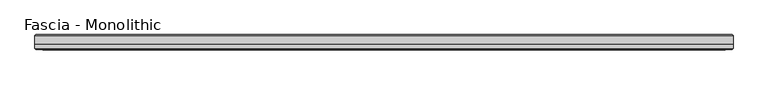
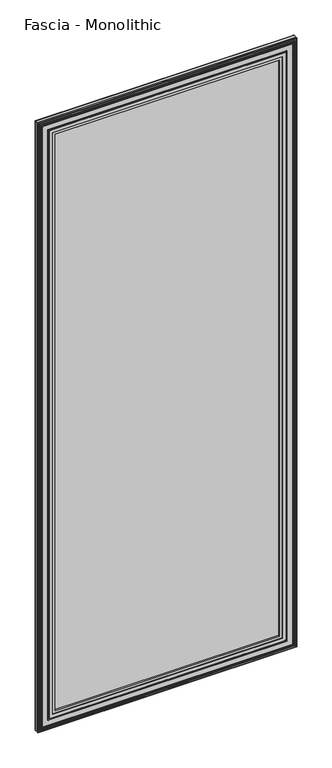
"""IFC4 building model written with IfcOpenShell, lengths in millimetres: proxy geometry, Fascia - Monolithic."""

from ifc_helpers import new_model, si_unit, frame, origin, place, context, project, spatial, ellipse_curve, source, transform, mapped, element, save
from ifc_brep_helpers import plane_surface, cylinder_surface, advanced_brep


def fascia_monolithic_48628fd0(model_context):
    return source(origin(), model_context, "Body", "AdvancedBrep", [
        advanced_brep(
        [(-556.403743, -15.8650077, 46.2434077), (-556.6731506, -16.7386, 45.974), (556.6731506, -16.7386, 45.974), (556.403743, -15.8650077, 46.2434077), (-557.5775583, -14.6911923, 45.0695923), (557.5775583, -14.6911923, 45.0695923), (-550.4909583, -15.8650077, 52.1561923), (-549.317143, -14.6911923, 53.3300077), (549.317143, -14.6911923, 53.3300077), (550.4909583, -15.8650077, 52.1561923), (-550.2215506, -16.7386, 52.4256), (550.2215506, -16.7386, 52.4256), (-533.9401506, -15.5956, 68.707), (-534.7021506, -16.7386, 67.945), (534.7021506, -16.7386, 67.945), (533.9401506, -15.5956, 68.707), (-521.6211506, -8.4836, 81.026), (-521.6211506, -15.5956, 81.026), (521.6211506, -15.5956, 81.026), (521.6211506, -8.4836, 81.026), (-602.6471506, -15.2146, 0.0), (-602.6471506, -8.4836, 0.0), (602.6471506, -8.4836, 0.0), (602.6471506, -15.2146, 0.0), (-601.1231506, -16.7386, 1.524), (601.1231506, -16.7386, 1.524), (-599.075743, -15.8650077, 3.5714077), (-599.3451506, -16.7386, 3.302), (599.3451506, -16.7386, 3.302), (599.075743, -15.8650077, 3.5714077), (-600.2495583, -14.6911923, 2.3975923), (600.2495583, -14.6911923, 2.3975923), (-593.1629583, -15.8650077, 9.4841923), (-591.989143, -14.6911923, 10.6580077), (591.989143, -14.6911923, 10.6580077), (593.1629583, -15.8650077, 9.4841923), (-592.8935506, -16.7386, 9.7536), (592.8935506, -16.7386, 9.7536), (-588.0040506, -16.7386, 14.6431), (-589.5280506, -16.7386, 13.1191), (589.5280506, -16.7386, 13.1191), (588.0040506, -16.7386, 14.6431), (-582.0350506, -16.7386, 20.6121), (-584.4480506, -16.7386, 18.1991), (584.4480506, -16.7386, 18.1991), (582.0350506, -16.7386, 20.6121), (556.6731506, -16.7386, 2946.7494), (556.403743, -15.8650077, 2946.4799923), (557.5775583, -14.6911923, 2947.6538077), (549.317143, -14.6911923, 2939.3933923), (550.4909583, -15.8650077, 2940.5672077), (550.2215506, -16.7386, 2940.2978), (534.7021506, -16.7386, 2924.7784), (533.9401506, -15.5956, 2924.0164), (521.6211506, -15.5956, 2911.6974), (521.6211506, -8.4836, 2911.6974), (602.6471506, -8.4836, 2992.7234), (602.6471506, -15.2146, 2992.7234), (601.1231506, -16.7386, 2991.1994), (599.3451506, -16.7386, 2989.4214), (599.075743, -15.8650077, 2989.1519923), (600.2495583, -14.6911923, 2990.3258077), (591.989143, -14.6911923, 2982.0653923), (593.1629583, -15.8650077, 2983.2392077), (592.8935506, -16.7386, 2982.9698), (589.5280506, -16.7386, 2979.6043), (588.0040506, -16.7386, 2978.0803), (584.4480506, -16.7386, 2974.5243), (582.0350506, -16.7386, 2972.1113), (-556.6731506, -16.7386, 2946.7494), (-556.403743, -15.8650077, 2946.4799923), (-557.5775583, -14.6911923, 2947.6538077), (-549.317143, -14.6911923, 2939.3933923), (-550.4909583, -15.8650077, 2940.5672077), (-550.2215506, -16.7386, 2940.2978), (-534.7021506, -16.7386, 2924.7784), (-533.9401506, -15.5956, 2924.0164), (-521.6211506, -15.5956, 2911.6974), (-521.6211506, -8.4836, 2911.6974), (-602.6471506, -8.4836, 2992.7234), (-602.6471506, -15.2146, 2992.7234), (-601.1231506, -16.7386, 2991.1994), (-599.3451506, -16.7386, 2989.4214), (-599.075743, -15.8650077, 2989.1519923), (-600.2495583, -14.6911923, 2990.3258077), (-591.989143, -14.6911923, 2982.0653923), (-593.1629583, -15.8650077, 2983.2392077), (-592.8935506, -16.7386, 2982.9698), (-589.5280506, -16.7386, 2979.6043), (-588.0040506, -16.7386, 2978.0803), (-584.4480506, -16.7386, 2974.5243), (-582.0350506, -16.7386, 2972.1113)],
        [
            (0, 1, ellipse_curve(frame((-556.7693353, -16.2306, 45.8778154), z_axis=(0.7071067811865475, 0.0, -0.7071067811865475), x_axis=(-0.7071067811865476, 0.0, -0.7071067811865474)), 0.7311846, 0.5170256)),
            (1, 2),
            (2, 3, ellipse_curve(frame((556.7693353, -16.2306, 45.8778154), z_axis=(-0.7071067811865475, 0.0, -0.7071067811865475), x_axis=(-0.7071067811865476, 0.0, 0.7071067811865474)), 0.7311846, 0.5170256)),
            (3, 0),
            (4, 0),
            (3, 5),
            (5, 4),
            (6, 7),
            (7, 8),
            (8, 9),
            (9, 6),
            (10, 6, ellipse_curve(frame((-550.125366, -16.2306, 52.5217846), z_axis=(0.7071067811865475, 0.0, -0.7071067811865475), x_axis=(-0.7071067811865476, 0.0, -0.7071067811865474)), 0.7311846, 0.5170256)),
            (9, 11, ellipse_curve(frame((550.125366, -16.2306, 52.5217846), z_axis=(-0.7071067811865475, 0.0, -0.7071067811865475), x_axis=(-0.7071067811865476, 0.0, 0.7071067811865474)), 0.7311846, 0.5170256)),
            (11, 10),
            (12, 13),
            (13, 14),
            (14, 15),
            (15, 12),
            (16, 17),
            (17, 18),
            (18, 19),
            (19, 16),
            (20, 21),
            (21, 22),
            (22, 23),
            (23, 20),
            (24, 20),
            (23, 25),
            (25, 24),
            (26, 27, ellipse_curve(frame((-599.4413353, -16.2306, 3.2058154), z_axis=(0.7071067811865475, 0.0, -0.7071067811865475), x_axis=(-0.7071067811865476, 0.0, -0.7071067811865474)), 0.7311846, 0.5170256)),
            (27, 28),
            (28, 29, ellipse_curve(frame((599.4413353, -16.2306, 3.2058154), z_axis=(-0.7071067811865475, 0.0, -0.7071067811865475), x_axis=(-0.7071067811865476, 0.0, 0.7071067811865474)), 0.7311846, 0.5170256)),
            (29, 26),
            (30, 26),
            (29, 31),
            (31, 30),
            (32, 33),
            (33, 34),
            (34, 35),
            (35, 32),
            (36, 32, ellipse_curve(frame((-592.797366, -16.2306, 9.8497846), z_axis=(0.7071067811865475, 0.0, -0.7071067811865475), x_axis=(-0.7071067811865476, 0.0, -0.7071067811865474)), 0.7311846, 0.5170256)),
            (35, 37, ellipse_curve(frame((592.797366, -16.2306, 9.8497846), z_axis=(-0.7071067811865475, 0.0, -0.7071067811865475), x_axis=(-0.7071067811865476, 0.0, 0.7071067811865474)), 0.7311846, 0.5170256)),
            (37, 36),
            (38, 39, ellipse_curve(frame((-588.7660506, -16.7386, 13.8811), z_axis=(0.7071067811865475, 0.0, -0.7071067811865475), x_axis=(-0.7071067811865476, 0.0, -0.7071067811865474)), 1.0776307, 0.762)),
            (39, 40),
            (40, 41, ellipse_curve(frame((588.7660506, -16.7386, 13.8811), z_axis=(-0.7071067811865475, 0.0, -0.7071067811865475), x_axis=(-0.7071067811865476, 0.0, 0.7071067811865474)), 1.0776307, 0.762)),
            (41, 38),
            (42, 43, ellipse_curve(frame((-583.2415506, -16.0202269, 19.4056), z_axis=(0.7071067811865475, 0.0, -0.7071067811865475), x_axis=(-0.7071067811865476, 0.0, -0.7071067811865474)), 1.9858007, 1.4041731)),
            (43, 44),
            (44, 45, ellipse_curve(frame((583.2415506, -16.0202269, 19.4056), z_axis=(-0.7071067811865475, 0.0, -0.7071067811865475), x_axis=(-0.7071067811865476, 0.0, 0.7071067811865474)), 1.9858007, 1.4041731)),
            (45, 42),
            (2, 46),
            (46, 47, ellipse_curve(frame((556.7693353, -16.2306, 2946.8455846), z_axis=(0.7071067811865475, 0.0, -0.7071067811865475), x_axis=(-0.7071067811865474, 0.0, -0.7071067811865476)), 0.7311846, 0.5170256)),
            (47, 3),
            (47, 48),
            (48, 5),
            (8, 49),
            (49, 50),
            (50, 9),
            (50, 51, ellipse_curve(frame((550.125366, -16.2306, 2940.2016154), z_axis=(0.7071067811865475, 0.0, -0.7071067811865475), x_axis=(-0.7071067811865474, 0.0, -0.7071067811865476)), 0.7311846, 0.5170256)),
            (51, 11),
            (14, 52),
            (52, 53),
            (53, 15),
            (18, 54),
            (54, 55),
            (55, 19),
            (22, 56),
            (56, 57),
            (57, 23),
            (57, 58),
            (58, 25),
            (28, 59),
            (59, 60, ellipse_curve(frame((599.4413353, -16.2306, 2989.5175846), z_axis=(0.7071067811865475, 0.0, -0.7071067811865475), x_axis=(-0.7071067811865474, 0.0, -0.7071067811865476)), 0.7311846, 0.5170256)),
            (60, 29),
            (60, 61),
            (61, 31),
            (34, 62),
            (62, 63),
            (63, 35),
            (63, 64, ellipse_curve(frame((592.797366, -16.2306, 2982.8736154), z_axis=(0.7071067811865475, 0.0, -0.7071067811865475), x_axis=(-0.7071067811865474, 0.0, -0.7071067811865476)), 0.7311846, 0.5170256)),
            (64, 37),
            (40, 65),
            (65, 66, ellipse_curve(frame((588.7660506, -16.7386, 2978.8423), z_axis=(0.7071067811865475, 0.0, -0.7071067811865475), x_axis=(-0.7071067811865474, 0.0, -0.7071067811865476)), 1.0776307, 0.762)),
            (66, 41),
            (44, 67),
            (67, 68, ellipse_curve(frame((583.2415506, -16.0202269, 2973.3178), z_axis=(0.7071067811865475, 0.0, -0.7071067811865475), x_axis=(-0.7071067811865474, 0.0, -0.7071067811865476)), 1.9858007, 1.4041731)),
            (68, 45),
            (46, 69),
            (69, 70, ellipse_curve(frame((-556.7693353, -16.2306, 2946.8455846), z_axis=(0.7071067811865475, 0.0, 0.7071067811865475), x_axis=(0.7071067811865476, 0.0, -0.7071067811865474)), 0.7311846, 0.5170256)),
            (70, 47),
            (70, 71),
            (71, 48),
            (49, 72),
            (72, 73),
            (73, 50),
            (73, 74, ellipse_curve(frame((-550.125366, -16.2306, 2940.2016154), z_axis=(0.7071067811865475, 0.0, 0.7071067811865475), x_axis=(0.7071067811865476, 0.0, -0.7071067811865474)), 0.7311846, 0.5170256)),
            (74, 51),
            (52, 75),
            (75, 76),
            (76, 53),
            (54, 77),
            (77, 78),
            (78, 55),
            (56, 79),
            (79, 80),
            (80, 57),
            (80, 81),
            (81, 58),
            (59, 82),
            (82, 83, ellipse_curve(frame((-599.4413353, -16.2306, 2989.5175846), z_axis=(0.7071067811865475, 0.0, 0.7071067811865475), x_axis=(0.7071067811865476, 0.0, -0.7071067811865474)), 0.7311846, 0.5170256)),
            (83, 60),
            (83, 84),
            (84, 61),
            (62, 85),
            (85, 86),
            (86, 63),
            (86, 87, ellipse_curve(frame((-592.797366, -16.2306, 2982.8736154), z_axis=(0.7071067811865475, 0.0, 0.7071067811865475), x_axis=(0.7071067811865476, 0.0, -0.7071067811865474)), 0.7311846, 0.5170256)),
            (87, 64),
            (65, 88),
            (88, 89, ellipse_curve(frame((-588.7660506, -16.7386, 2978.8423), z_axis=(0.7071067811865475, 0.0, 0.7071067811865475), x_axis=(0.7071067811865476, 0.0, -0.7071067811865474)), 1.0776307, 0.762)),
            (89, 66),
            (67, 90),
            (90, 91, ellipse_curve(frame((-583.2415506, -16.0202269, 2973.3178), z_axis=(0.7071067811865475, 0.0, 0.7071067811865475), x_axis=(0.7071067811865476, 0.0, -0.7071067811865474)), 1.9858007, 1.4041731)),
            (91, 68),
            (91, 42),
            (1, 69),
            (0, 70),
            (4, 71),
            (7, 72),
            (6, 73),
            (10, 74),
            (13, 75),
            (12, 76),
            (17, 77),
            (16, 78),
            (21, 79),
            (20, 80),
            (24, 81),
            (27, 82),
            (26, 83),
            (30, 84),
            (33, 85),
            (32, 86),
            (36, 87),
            (39, 88),
            (38, 89),
            (43, 90),
        ],
        [
            cylinder_surface(frame((-602.6471506, -16.2306, 45.8778154), z_axis=(-1.0, 0.0, 0.0), x_axis=(0.0, 0.0, 1.0)), 0.5170256),
            plane_surface(frame((-556.403743, -15.8650077, 46.2434077), z_axis=(0.0, 0.7071067813016592, 0.7071067810714359), x_axis=(1.0, 0.0, 0.0))),
            plane_surface(frame((-549.317143, -14.6911923, 53.3300077), z_axis=(0.0, 0.7071067813016237, -0.7071067810714713), x_axis=(1.0, 0.0, 0.0))),
            cylinder_surface(frame((-602.6471506, -16.2306, 52.5217846), z_axis=(-1.0, 0.0, 0.0), x_axis=(0.0, 0.0, 1.0)), 0.5170256),
            plane_surface(frame((-534.7021506, -16.7386, 67.945), z_axis=(0.0, -0.554700195976685, 0.8320502945035398), x_axis=(1.0, 0.0, 0.0))),
            plane_surface(frame((-521.6211506, -15.5956, 81.026), z_axis=(0.0, 0.0, 1.0), x_axis=(1.0, 0.0, 0.0))),
            plane_surface(frame((-602.6471506, -8.4836, 0.0), z_axis=(0.0, 0.0, -1.0), x_axis=(1.0, 0.0, 0.0))),
            plane_surface(frame((-602.6471506, -15.2146, 0.0), z_axis=(0.0, -0.7071067811865392, -0.7071067811865558), x_axis=(1.0, 0.0, 0.0))),
            cylinder_surface(frame((-602.6471506, -16.2306, 3.2058154), z_axis=(-1.0, 0.0, 0.0), x_axis=(0.0, 0.0, 1.0)), 0.5170256),
            plane_surface(frame((-599.075743, -15.8650077, 3.5714077), z_axis=(0.0, 0.707106781113895, 0.7071067812592001), x_axis=(1.0, 0.0, 0.0))),
            plane_surface(frame((-591.989143, -14.6911923, 10.6580077), z_axis=(0.0, 0.7071067811880475, -0.7071067811850476), x_axis=(1.0, 0.0, 0.0))),
            cylinder_surface(frame((-602.6471506, -16.2306, 9.8497846), z_axis=(-1.0, 0.0, 0.0), x_axis=(0.0, 0.0, 1.0)), 0.5170256),
            cylinder_surface(frame((-602.6471506, -16.7386, 13.8811), z_axis=(-1.0, 0.0, 0.0), x_axis=(0.0, 0.0, 1.0)), 0.762),
            cylinder_surface(frame((-602.6471506, -16.0202269, 19.4056), z_axis=(-1.0, 0.0, 0.0), x_axis=(0.0, 0.0, 1.0)), 1.4041731),
            cylinder_surface(frame((556.7693353, -16.2306, 0.0), z_axis=(0.0, 0.0, -1.0), x_axis=(-1.0, 0.0, 0.0)), 0.5170256),
            plane_surface(frame((556.403743, -15.8650077, 46.2434077), z_axis=(-0.7071067810714261, 0.7071067813016689, 0.0), x_axis=(0.0, 0.0, 1.0))),
            plane_surface(frame((549.317143, -14.6911923, 53.3300077), z_axis=(0.7071067810714811, 0.707106781301614, 0.0), x_axis=(0.0, 0.0, 1.0))),
            cylinder_surface(frame((550.125366, -16.2306, 0.0), z_axis=(0.0, 0.0, -1.0), x_axis=(-1.0, 0.0, 0.0)), 0.5170256),
            plane_surface(frame((534.7021506, -16.7386, 67.945), z_axis=(-0.8320502945035475, -0.5547001959766734, 0.0), x_axis=(0.0, 0.0, 1.0))),
            plane_surface(frame((521.6211506, -15.5956, 81.026), z_axis=(-1.0, 0.0, 0.0), x_axis=(0.0, 0.0, 1.0))),
            plane_surface(frame((602.6471506, -8.4836, 0.0), z_axis=(1.0, 0.0, 0.0), x_axis=(0.0, 0.0, 1.0))),
            plane_surface(frame((602.6471506, -15.2146, 0.0), z_axis=(0.707106781186546, -0.707106781186549, 0.0), x_axis=(0.0, 0.0, 1.0))),
            cylinder_surface(frame((599.4413353, -16.2306, 0.0), z_axis=(0.0, 0.0, -1.0), x_axis=(-1.0, 0.0, 0.0)), 0.5170256),
            plane_surface(frame((599.075743, -15.8650077, 3.5714077), z_axis=(-0.7071067812591904, 0.7071067811139048, 0.0), x_axis=(0.0, 0.0, 1.0))),
            plane_surface(frame((591.989143, -14.6911923, 10.6580077), z_axis=(0.7071067811850573, 0.7071067811880377, 0.0), x_axis=(0.0, 0.0, 1.0))),
            cylinder_surface(frame((592.797366, -16.2306, 0.0), z_axis=(0.0, 0.0, -1.0), x_axis=(-1.0, 0.0, 0.0)), 0.5170256),
            cylinder_surface(frame((588.7660506, -16.7386, 0.0), z_axis=(0.0, 0.0, -1.0), x_axis=(-1.0, 0.0, 0.0)), 0.762),
            cylinder_surface(frame((583.2415506, -16.0202269, 0.0), z_axis=(0.0, 0.0, -1.0), x_axis=(-1.0, 0.0, 0.0)), 1.4041731),
            cylinder_surface(frame((602.6471506, -16.2306, 2946.8455846), z_axis=(1.0, 0.0, 0.0), x_axis=(0.0, 0.0, -1.0)), 0.5170256),
            plane_surface(frame((556.403743, -15.8650077, 2946.4799923), z_axis=(0.0, 0.7071067813016787, -0.7071067810714163), x_axis=(-1.0, 0.0, 0.0))),
            plane_surface(frame((549.317143, -14.6911923, 2939.3933923), z_axis=(0.0, 0.7071067813016042, 0.7071067810714908), x_axis=(-1.0, 0.0, 0.0))),
            cylinder_surface(frame((602.6471506, -16.2306, 2940.2016154), z_axis=(1.0, 0.0, 0.0), x_axis=(0.0, 0.0, -1.0)), 0.5170256),
            plane_surface(frame((534.7021506, -16.7386, 2924.7784), z_axis=(0.0, -0.5547001959766619, -0.8320502945035552), x_axis=(-1.0, 0.0, 0.0))),
            plane_surface(frame((521.6211506, -15.5956, 2911.6974), z_axis=(0.0, 0.0, -1.0), x_axis=(-1.0, 0.0, 0.0))),
            plane_surface(frame((602.6471506, -8.4836, 2992.7234), z_axis=(0.0, 0.0, 1.0), x_axis=(-1.0, 0.0, 0.0))),
            plane_surface(frame((602.6471506, -15.2146, 2992.7234), z_axis=(0.0, -0.7071067811865588, 0.7071067811865362), x_axis=(-1.0, 0.0, 0.0))),
            cylinder_surface(frame((602.6471506, -16.2306, 2989.5175846), z_axis=(1.0, 0.0, 0.0), x_axis=(0.0, 0.0, -1.0)), 0.5170256),
            plane_surface(frame((599.075743, -15.8650077, 2989.1519923), z_axis=(0.0, 0.7071067811139146, -0.7071067812591806), x_axis=(-1.0, 0.0, 0.0))),
            plane_surface(frame((591.989143, -14.6911923, 2982.0653923), z_axis=(0.0, 0.7071067811880279, 0.7071067811850671), x_axis=(-1.0, 0.0, 0.0))),
            cylinder_surface(frame((602.6471506, -16.2306, 2982.8736154), z_axis=(1.0, 0.0, 0.0), x_axis=(0.0, 0.0, -1.0)), 0.5170256),
            cylinder_surface(frame((602.6471506, -16.7386, 2978.8423), z_axis=(1.0, 0.0, 0.0), x_axis=(0.0, 0.0, -1.0)), 0.762),
            cylinder_surface(frame((602.6471506, -16.0202269, 2973.3178), z_axis=(1.0, 0.0, 0.0), x_axis=(0.0, 0.0, -1.0)), 1.4041731),
            plane_surface(frame((-582.0350506, -16.7386, 2972.1113), z_axis=(0.0, -1.0, 0.0), x_axis=(0.0, 0.0, -1.0))),
            cylinder_surface(frame((-556.7693353, -16.2306, 2992.7234), z_axis=(0.0, 0.0, 1.0), x_axis=(1.0, 0.0, 0.0)), 0.5170256),
            plane_surface(frame((-556.403743, -15.8650077, 2946.4799923), z_axis=(0.7071067810714261, 0.7071067813016689, 0.0), x_axis=(0.0, 0.0, -1.0))),
            plane_surface(frame((-557.5775583, -14.6911923, 2947.6538077), z_axis=(0.0, -1.0, 0.0), x_axis=(0.0, 0.0, -1.0))),
            plane_surface(frame((-549.317143, -14.6911923, 2939.3933923), z_axis=(-0.7071067810714811, 0.707106781301614, 0.0), x_axis=(0.0, 0.0, -1.0))),
            cylinder_surface(frame((-550.125366, -16.2306, 2992.7234), z_axis=(0.0, 0.0, 1.0), x_axis=(1.0, 0.0, 0.0)), 0.5170256),
            plane_surface(frame((-550.2215506, -16.7386, 2940.2978), z_axis=(0.0, -1.0, 0.0), x_axis=(0.0, 0.0, -1.0))),
            plane_surface(frame((-534.7021506, -16.7386, 2924.7784), z_axis=(0.8320502945035475, -0.5547001959766734, 0.0), x_axis=(0.0, 0.0, -1.0))),
            plane_surface(frame((-533.9401506, -15.5956, 2924.0164), z_axis=(0.0, -1.0, 0.0), x_axis=(0.0, 0.0, -1.0))),
            plane_surface(frame((-521.6211506, -15.5956, 2911.6974), z_axis=(1.0, 0.0, 0.0), x_axis=(0.0, 0.0, -1.0))),
            plane_surface(frame((-521.6211506, -8.4836, 2911.6974), z_axis=(0.0, 1.0, 0.0), x_axis=(0.0, 0.0, -1.0))),
            plane_surface(frame((-602.6471506, -8.4836, 2992.7234), z_axis=(-1.0, 0.0, 0.0), x_axis=(0.0, 0.0, -1.0))),
            plane_surface(frame((-602.6471506, -15.2146, 2992.7234), z_axis=(-0.707106781186546, -0.707106781186549, 0.0), x_axis=(0.0, 0.0, -1.0))),
            plane_surface(frame((-601.1231506, -16.7386, 2991.1994), z_axis=(0.0, -1.0, 0.0), x_axis=(0.0, 0.0, -1.0))),
            cylinder_surface(frame((-599.4413353, -16.2306, 2992.7234), z_axis=(0.0, 0.0, 1.0), x_axis=(1.0, 0.0, 0.0)), 0.5170256),
            plane_surface(frame((-599.075743, -15.8650077, 2989.1519923), z_axis=(0.7071067812591904, 0.7071067811139048, 0.0), x_axis=(0.0, 0.0, -1.0))),
            plane_surface(frame((-600.2495583, -14.6911923, 2990.3258077), z_axis=(0.0, -1.0, 0.0), x_axis=(0.0, 0.0, -1.0))),
            plane_surface(frame((-591.989143, -14.6911923, 2982.0653923), z_axis=(-0.7071067811850573, 0.7071067811880377, 0.0), x_axis=(0.0, 0.0, -1.0))),
            cylinder_surface(frame((-592.797366, -16.2306, 2992.7234), z_axis=(0.0, 0.0, 1.0), x_axis=(1.0, 0.0, 0.0)), 0.5170256),
            plane_surface(frame((-592.8935506, -16.7386, 2982.9698), z_axis=(0.0, -1.0, 0.0), x_axis=(0.0, 0.0, -1.0))),
            cylinder_surface(frame((-588.7660506, -16.7386, 2992.7234), z_axis=(0.0, 0.0, 1.0), x_axis=(1.0, 0.0, 0.0)), 0.762),
            plane_surface(frame((-588.0040506, -16.7386, 2978.0803), z_axis=(0.0, -1.0, 0.0), x_axis=(0.0, 0.0, -1.0))),
            cylinder_surface(frame((-583.2415506, -16.0202269, 2992.7234), z_axis=(0.0, 0.0, 1.0), x_axis=(1.0, 0.0, 0.0)), 1.4041731),
        ],
        [
            (0, [[1, 2, 3, 4]]),
            (1, [[5, -4, 6, 7]]),
            (2, [[8, 9, 10, 11]]),
            (3, [[12, -11, 13, 14]]),
            (4, [[15, 16, 17, 18]]),
            (5, [[19, 20, 21, 22]]),
            (6, [[23, 24, 25, 26]]),
            (7, [[27, -26, 28, 29]]),
            (8, [[30, 31, 32, 33]]),
            (9, [[34, -33, 35, 36]]),
            (10, [[37, 38, 39, 40]]),
            (11, [[41, -40, 42, 43]]),
            (12, [[44, 45, 46, 47]]),
            (13, [[48, 49, 50, 51]]),
            (14, [[-3, 52, 53, 54]]),
            (15, [[-6, -54, 55, 56]]),
            (16, [[-10, 57, 58, 59]]),
            (17, [[-13, -59, 60, 61]]),
            (18, [[-17, 62, 63, 64]]),
            (19, [[-21, 65, 66, 67]]),
            (20, [[-25, 68, 69, 70]]),
            (21, [[-28, -70, 71, 72]]),
            (22, [[-32, 73, 74, 75]]),
            (23, [[-35, -75, 76, 77]]),
            (24, [[-39, 78, 79, 80]]),
            (25, [[-42, -80, 81, 82]]),
            (26, [[-46, 83, 84, 85]]),
            (27, [[-50, 86, 87, 88]]),
            (28, [[-53, 89, 90, 91]]),
            (29, [[-55, -91, 92, 93]]),
            (30, [[-58, 94, 95, 96]]),
            (31, [[-60, -96, 97, 98]]),
            (32, [[-63, 99, 100, 101]]),
            (33, [[-66, 102, 103, 104]]),
            (34, [[-69, 105, 106, 107]]),
            (35, [[-71, -107, 108, 109]]),
            (36, [[-74, 110, 111, 112]]),
            (37, [[-76, -112, 113, 114]]),
            (38, [[-79, 115, 116, 117]]),
            (39, [[-81, -117, 118, 119]]),
            (40, [[-84, 120, 121, 122]]),
            (41, [[-87, 123, 124, 125]]),
            (42, [[-88, -125, 126, -51], [127, -89, -52, -2]]),
            (43, [[-90, -127, -1, 128]]),
            (44, [[-92, -128, -5, 129]]),
            (45, [[-56, -93, -129, -7], [130, -94, -57, -9]]),
            (46, [[-95, -130, -8, 131]]),
            (47, [[-97, -131, -12, 132]]),
            (48, [[-61, -98, -132, -14], [133, -99, -62, -16]]),
            (49, [[-100, -133, -15, 134]]),
            (50, [[-64, -101, -134, -18], [135, -102, -65, -20]]),
            (51, [[-103, -135, -19, 136]]),
            (52, [[137, -105, -68, -24], [-67, -104, -136, -22]]),
            (53, [[-106, -137, -23, 138]]),
            (54, [[-108, -138, -27, 139]]),
            (55, [[-72, -109, -139, -29], [140, -110, -73, -31]]),
            (56, [[-111, -140, -30, 141]]),
            (57, [[-113, -141, -34, 142]]),
            (58, [[-77, -114, -142, -36], [143, -115, -78, -38]]),
            (59, [[-116, -143, -37, 144]]),
            (60, [[-118, -144, -41, 145]]),
            (61, [[-82, -119, -145, -43], [146, -120, -83, -45]]),
            (62, [[-121, -146, -44, 147]]),
            (63, [[-85, -122, -147, -47], [148, -123, -86, -49]]),
            (64, [[-124, -148, -48, -126]]),
        ],
    ),
        advanced_brep(
        [(-602.6471506, -8.4836, 2992.7234), (602.6471506, -8.4836, 2992.7234), (602.6471506, 6.1862895, 2992.7234), (-602.6471506, 6.1862895, 2992.7234), (602.6471506, -8.4836, 0.0), (-602.6471506, -8.4836, 0.0), (-602.6471506, 6.1862895, 0.0), (602.6471506, 6.1862895, 0.0), (600.3498402, 8.4836, 2.2973105), (-600.3498402, 8.4836, 2.2973105), (-600.3498402, 8.4836, 2990.4260895), (600.3498402, 8.4836, 2990.4260895)],
        [
            (0, 1),
            (1, 2),
            (2, 3),
            (3, 0),
            (4, 5),
            (5, 6),
            (6, 7),
            (7, 4),
            (8, 9),
            (9, 10),
            (10, 11),
            (11, 8),
            (5, 0),
            (3, 6),
            (4, 1),
            (7, 2),
            (8, 7, ellipse_curve(frame((600.3498402, 6.1862895, 2.2973105), z_axis=(-0.7071067811865475, 0.0, -0.7071067811865475), x_axis=(0.7071067811865476, 0.0, -0.7071067811865474)), 3.2488876, 2.2973105)),
            (6, 9, ellipse_curve(frame((-600.3498402, 6.1862895, 2.2973105), z_axis=(0.7071067811865475, 0.0, -0.7071067811865475), x_axis=(0.7071067811865476, 0.0, 0.7071067811865474)), 3.2488876, 2.2973105)),
            (11, 2, ellipse_curve(frame((600.3498402, 6.1862895, 2990.4260895), z_axis=(0.7071067811865475, 0.0, -0.7071067811865475), x_axis=(0.7071067811865474, 0.0, 0.7071067811865476)), 3.2488876, 2.2973105)),
            (10, 3, ellipse_curve(frame((-600.3498402, 6.1862895, 2990.4260895), z_axis=(0.7071067811865475, 0.0, 0.7071067811865475), x_axis=(-0.7071067811865476, 0.0, 0.7071067811865474)), 3.2488876, 2.2973105)),
        ],
        [
            plane_surface(frame((0.0, 198.5529455, 2992.7234), z_axis=(0.0, 0.0, 1.0), x_axis=(0.0, -1.0, 0.0))),
            plane_surface(frame((0.0, 198.5529455, 0.0), z_axis=(0.0, 0.0, -1.0), x_axis=(0.0, -1.0, 0.0))),
            plane_surface(frame((602.6471506, 8.4836, 2992.7234), z_axis=(0.0, 1.0, 0.0), x_axis=(0.0, 0.0, -1.0))),
            plane_surface(frame((-602.6471506, 8.4836, 2992.7234), z_axis=(-1.0, 0.0, 0.0), x_axis=(0.0, 0.0, -1.0))),
            plane_surface(frame((-602.6471506, -8.4836, 2992.7234), z_axis=(0.0, -1.0, 0.0), x_axis=(0.0, 0.0, -1.0))),
            plane_surface(frame((602.6471506, -8.4836, 2992.7234), z_axis=(1.0, 0.0, 0.0), x_axis=(0.0, 0.0, -1.0))),
            cylinder_surface(frame((-602.6471506, 6.1862895, 2.2973105), z_axis=(1.0, 0.0, 0.0), x_axis=(0.0, -1.0, 0.0)), 2.2973105),
            cylinder_surface(frame((600.3498402, 6.1862895, 0.0), z_axis=(0.0, 0.0, 1.0), x_axis=(0.0, -1.0, 0.0)), 2.2973105),
            cylinder_surface(frame((602.6471506, 6.1862895, 2990.4260895), z_axis=(-1.0, 0.0, 0.0), x_axis=(0.0, -1.0, 0.0)), 2.2973105),
            cylinder_surface(frame((-600.3498402, 6.1862895, 2992.7234), z_axis=(0.0, 0.0, -1.0), x_axis=(0.0, -1.0, 0.0)), 2.2973105),
        ],
        [
            (0, [[1, 2, 3, 4]]),
            (1, [[5, 6, 7, 8]]),
            (2, [[9, 10, 11, 12]]),
            (3, [[13, -4, 14, -6]]),
            (4, [[-1, -13, -5, 15]]),
            (5, [[-15, -8, 16, -2]]),
            (6, [[17, -7, 18, -9]]),
            (7, [[-17, -12, 19, -16]]),
            (8, [[-19, -11, 20, -3]]),
            (9, [[-18, -14, -20, -10]]),
        ],
    ),
    ])


if __name__ == "__main__":
    model = new_model("IFC4")
    model_context = context("Model", 3, world=origin())
    ifc_project = project(units=[si_unit("LENGTHUNIT", "METRE", prefix="MILLI")], contexts=[model_context])
    site = spatial("IfcSite", under=ifc_project)
    building = spatial("IfcBuilding", under=site)
    placement = place(None, origin())
    fascia_monolithic_shape = fascia_monolithic_48628fd0(model_context)
    element("IfcBuildingElementProxy", 1, Name="Fascia - Monolithic", ObjectType="Fascia - Monolithic", at=placement, inside=building, context=model_context, shape_type="MappedRepresentation", body=[
        mapped(fascia_monolithic_shape, transform((0.0, 0.0, 0.0), x_axis=(1.0, 0.0, 0.0), y_axis=(0.0, 1.0, 0.0), z_axis=(0.0, 0.0, 1.0))),
    ])
    save(model, "model.ifc")
